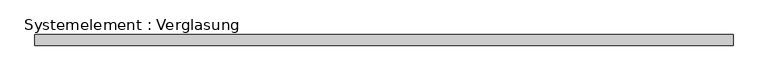
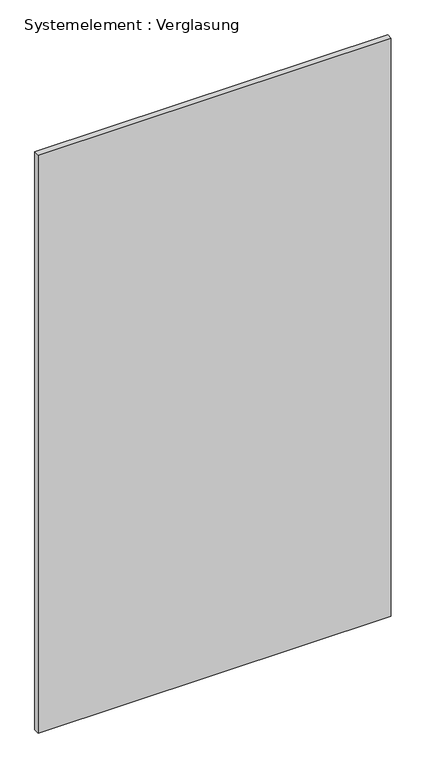
"""IFC4 building model written with IfcOpenShell, lengths in millimetres: plate geometry, Systemelement : Verglasung."""

from ifc_helpers import new_model, si_unit, origin, origin_with_axes, place, context, project, spatial, polyline, outline, extrude, source, transform, mapped, element, save


def systemelement_verglasung_d31d0ff6(model_context):
    return source(origin(), model_context, "Body", "SweptSolid", [
        extrude(outline(polyline([(950.7094797, -15.0), (-950.7094797, -15.0), (-950.7094797, 15.0), (950.7094797, 15.0), (950.7094797, -15.0)])), origin_with_axes(), (0.0, 0.0, 1.0), 3290.0),
    ])


if __name__ == "__main__":
    model = new_model("IFC4")
    model_context = context("Model", 3, world=origin())
    ifc_project = project(units=[si_unit("LENGTHUNIT", "METRE", prefix="MILLI")], contexts=[model_context])
    site = spatial("IfcSite", under=ifc_project)
    building = spatial("IfcBuilding", under=site)
    placement = place(None, origin())
    systemelement_verglasung_shape = systemelement_verglasung_d31d0ff6(model_context)
    element("IfcPlate", 1, ObjectType="Systemelement : Verglasung", at=placement, inside=building, context=model_context, shape_type="MappedRepresentation", body=[
        mapped(systemelement_verglasung_shape, transform((0.0, 0.0, 0.0), x_axis=(1.0, 0.0, 0.0), y_axis=(0.0, 1.0, 0.0), z_axis=(0.0, 0.0, 1.0))),
    ])
    save(model, "model.ifc")
